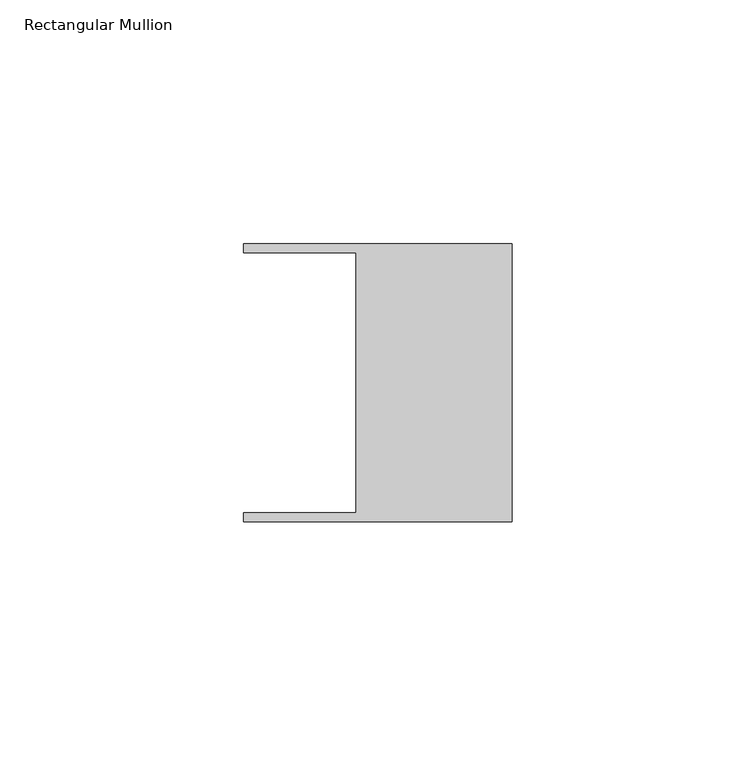
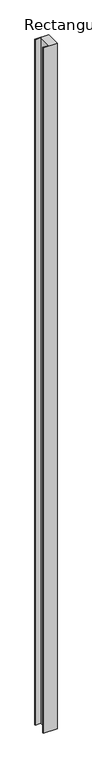
"""IFC4 building model written with IfcOpenShell, lengths in millimetres: member geometry, Rectangular Mullion."""

from ifc_helpers import new_model, si_unit, frame, origin, place, context, project, spatial, polyline, outline, extrude, source, transform, mapped, element, save


def rectangular_mullion_5c973ba1(model_context):
    return source(origin(), model_context, "Body", "SweptSolid", [
        extrude(outline(polyline([(-32.004, 26.67), (-54.991, 26.67), (-54.991, 28.448), (0.0, 28.448), (0.0, -28.448), (-54.991, -28.448), (-54.991, -26.67), (-32.004, -26.67), (-32.004, 26.67)])), frame((0.0, 0.0, -2877.5659139), z_axis=(0.0, 0.0, 1.0), x_axis=(1.0, 0.0, 0.0)), (0.0, 0.0, 1.0), 2877.5659139),
    ])


if __name__ == "__main__":
    model = new_model("IFC4")
    model_context = context("Model", 3, world=origin())
    ifc_project = project(units=[si_unit("LENGTHUNIT", "METRE", prefix="MILLI")], contexts=[model_context])
    site = spatial("IfcSite", under=ifc_project)
    building = spatial("IfcBuilding", under=site)
    placement = place(None, origin())
    rectangular_mullion_shape = rectangular_mullion_5c973ba1(model_context)
    element("IfcMember", 1, ObjectType="Rectangular Mullion", at=placement, inside=building, context=model_context, shape_type="MappedRepresentation", body=[
        mapped(rectangular_mullion_shape, transform((0.0, 0.0, 0.0), x_axis=(1.0, 0.0, 0.0), y_axis=(0.0, 1.0, 0.0), z_axis=(0.0, 0.0, 1.0))),
    ])
    save(model, "model.ifc")
